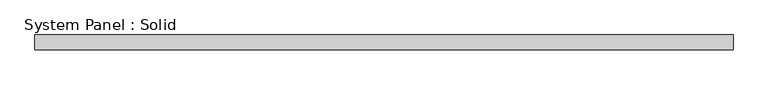
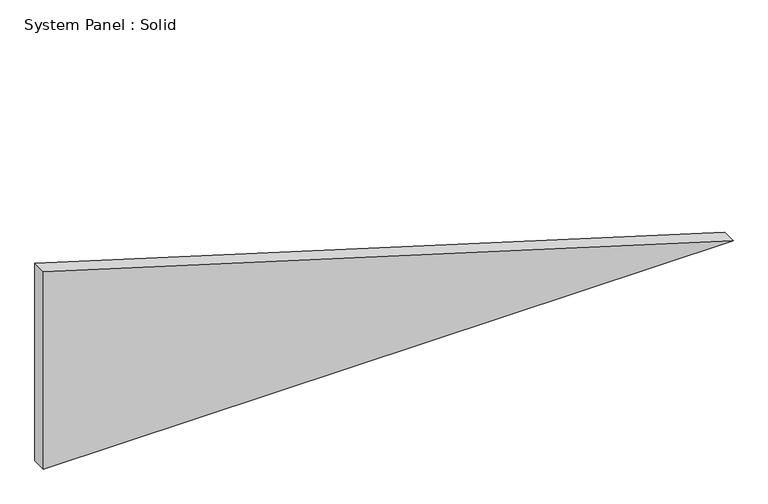
"""IFC4 building model written with IfcOpenShell, lengths in millimetres: plate geometry, System Panel : Solid."""

from ifc_helpers import new_model, si_unit, frame, origin, place, context, project, spatial, polyline, outline, extrude, source, transform, mapped, element, save


def system_panel_solid_8828271e(model_context):
    return source(origin(), model_context, "Body", "SweptSolid", [
        extrude(outline(polyline([(0.0, -1393.3017928), (0.0, 1393.3017928), (842.6654139, -1393.3017928), (0.0, -1393.3017928)])), frame((0.0, -10.5, 0.0), z_axis=(0.0, 1.0, 0.0), x_axis=(0.0, 0.0, 1.0)), (0.0, 0.0, 1.0), 60.0),
    ])


if __name__ == "__main__":
    model = new_model("IFC4")
    model_context = context("Model", 3, world=origin())
    ifc_project = project(units=[si_unit("LENGTHUNIT", "METRE", prefix="MILLI")], contexts=[model_context])
    site = spatial("IfcSite", under=ifc_project)
    building = spatial("IfcBuilding", under=site)
    placement = place(None, origin())
    system_panel_solid_shape = system_panel_solid_8828271e(model_context)
    element("IfcPlate", 1, ObjectType="System Panel : Solid", at=placement, inside=building, context=model_context, shape_type="MappedRepresentation", body=[
        mapped(system_panel_solid_shape, transform((0.0, 0.0, 0.0), x_axis=(1.0, 0.0, 0.0), y_axis=(0.0, 1.0, 0.0), z_axis=(0.0, 0.0, 1.0))),
    ])
    save(model, "model.ifc")
